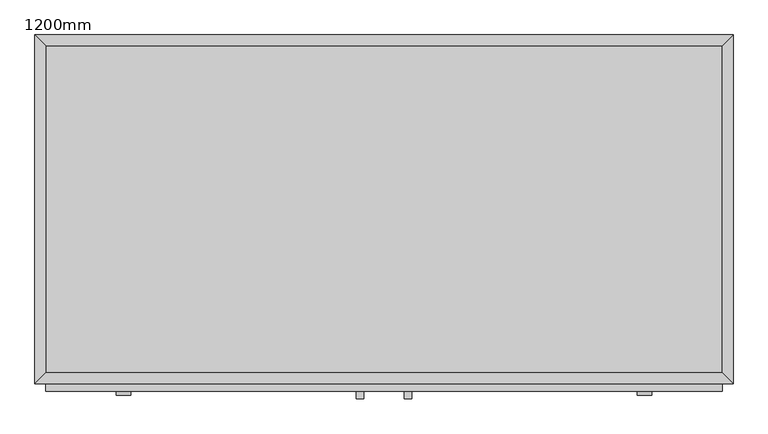
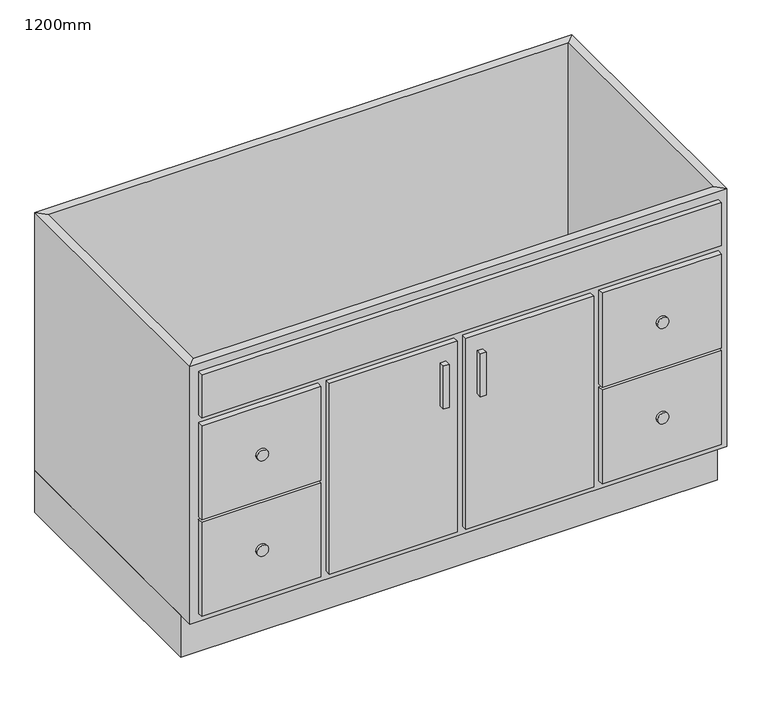
"""IFC4 building model written with IfcOpenShell, lengths in millimetres: furniture geometry, 1200mm."""

from ifc_helpers import new_model, si_unit, point, frame, frame_2d, origin, origin_with_axes, place, context, project, spatial, polyline, circle_curve, trimmed, segment, composite_curve, outline, extrude, faceted_brep, source, transform, mapped, element, save


def furniture_1200mm_8e3bbaa9(model_context):
    return source(origin(), model_context, "Body", "SolidModel", [
        extrude(outline(polyline([(55.91996, -625.4), (43.21996, -625.4), (43.21996, -612.7), (55.91996, -612.7), (55.91996, -625.4)])), frame((0.0, 0.0, 430.6), z_axis=(0.0, 0.0, 1.0), x_axis=(1.0, 0.0, 0.0)), (0.0, 0.0, 1.0), 101.6),
        extrude(outline(polyline([(138.46996, -625.4), (125.76996, -625.4), (125.76996, -612.7), (138.46996, -612.7), (138.46996, -625.4)])), frame((0.0, 0.0, 430.6), z_axis=(0.0, 0.0, 1.0), x_axis=(1.0, 0.0, 0.0)), (0.0, 0.0, 1.0), 101.6),
        extrude(outline(polyline([(671.79496, -612.7), (-490.10504, -612.7), (-490.10504, -600.0), (671.79496, -600.0), (671.79496, -612.7)])), frame((0.0, 0.0, 589.35), z_axis=(0.0, 0.0, 1.0), x_axis=(1.0, 0.0, 0.0)), (0.0, 0.0, 1.0), 101.6),
        extrude(outline(polyline([(671.79496, -612.7), (405.13246, -612.7), (405.13246, -600.0), (671.79496, -600.0), (671.79496, -612.7)])), frame((0.0, 0.0, 347.85), z_axis=(0.0, 0.0, 1.0), x_axis=(1.0, 0.0, 0.0)), (0.0, 0.0, 1.0), 222.45),
        extrude(outline(polyline([(671.79496, -612.7), (405.13246, -612.7), (405.13246, -600.0), (671.79496, -600.0), (671.79496, -612.7)])), frame((0.0, 0.0, 119.05), z_axis=(0.0, 0.0, 1.0), x_axis=(1.0, 0.0, 0.0)), (0.0, 0.0, 1.0), 222.45),
        extrude(outline(polyline([(-223.44254, -612.7), (-490.10504, -612.7), (-490.10504, -600.0), (-223.44254, -600.0), (-223.44254, -612.7)])), frame((0.0, 0.0, 347.85), z_axis=(0.0, 0.0, 1.0), x_axis=(1.0, 0.0, 0.0)), (0.0, 0.0, 1.0), 222.45),
        extrude(outline(polyline([(-223.44254, -612.7), (-490.10504, -612.7), (-490.10504, -600.0), (-223.44254, -600.0), (-223.44254, -612.7)])), frame((0.0, 0.0, 119.05), z_axis=(0.0, 0.0, 1.0), x_axis=(1.0, 0.0, 0.0)), (0.0, 0.0, 1.0), 222.45),
        extrude(outline(polyline([(81.31996, -612.7), (-204.39254, -612.7), (-204.39254, -600.0), (81.31996, -600.0), (81.31996, -612.7)])), frame((0.0, 0.0, 119.05), z_axis=(0.0, 0.0, 1.0), x_axis=(1.0, 0.0, 0.0)), (0.0, 0.0, 1.0), 451.25),
        extrude(outline(polyline([(386.08246, -612.7), (100.36996, -612.7), (100.36996, -600.0), (386.08246, -600.0), (386.08246, -612.7)])), frame((0.0, 0.0, 119.05), z_axis=(0.0, 0.0, 1.0), x_axis=(1.0, 0.0, 0.0)), (0.0, 0.0, 1.0), 451.25),
        extrude(outline(composite_curve([segment(trimmed(circle_curve(frame_2d((457.4875, -356.77379)), 12.7), [point((457.4875, -369.47379))], [point((457.4875, -344.07379))], False, "CARTESIAN"), True, "CONTINUOUS"), segment(trimmed(circle_curve(frame_2d((457.4875, -356.77379)), 12.7), [point((457.4875, -344.07379))], [point((457.4875, -369.47379))], False, "CARTESIAN"), True, "CONTINUOUS")], self_intersect=False)), frame((0.0, -619.05, 0.0), z_axis=(0.0, 1.0, 0.0), x_axis=(0.0, 0.0, 1.0)), (0.0, 0.0, 1.0), 6.35),
        extrude(outline(composite_curve([segment(trimmed(circle_curve(frame_2d((231.8625, -356.77379)), 12.7), [point((231.8625, -369.47379))], [point((231.8625, -344.07379))], False, "CARTESIAN"), True, "CONTINUOUS"), segment(trimmed(circle_curve(frame_2d((231.8625, -356.77379)), 12.7), [point((231.8625, -344.07379))], [point((231.8625, -369.47379))], False, "CARTESIAN"), True, "CONTINUOUS")], self_intersect=False)), frame((0.0, -619.05, 0.0), z_axis=(0.0, 1.0, 0.0), x_axis=(0.0, 0.0, 1.0)), (0.0, 0.0, 1.0), 6.35),
        extrude(outline(composite_curve([segment(trimmed(circle_curve(frame_2d((231.8625, 538.46371)), 12.7), [point((231.8625, 525.76371))], [point((231.8625, 551.16371))], False, "CARTESIAN"), True, "CONTINUOUS"), segment(trimmed(circle_curve(frame_2d((231.8625, 538.46371)), 12.7), [point((231.8625, 551.16371))], [point((231.8625, 525.76371))], False, "CARTESIAN"), True, "CONTINUOUS")], self_intersect=False)), frame((0.0, -619.05, 0.0), z_axis=(0.0, 1.0, 0.0), x_axis=(0.0, 0.0, 1.0)), (0.0, 0.0, 1.0), 6.35),
        extrude(outline(composite_curve([segment(trimmed(circle_curve(frame_2d((457.4875, 538.46371)), 12.7), [point((457.4875, 525.76371))], [point((457.4875, 551.16371))], False, "CARTESIAN"), True, "CONTINUOUS"), segment(trimmed(circle_curve(frame_2d((457.4875, 538.46371)), 12.7), [point((457.4875, 551.16371))], [point((457.4875, 525.76371))], False, "CARTESIAN"), True, "CONTINUOUS")], self_intersect=False)), frame((0.0, -619.05, 0.0), z_axis=(0.0, 1.0, 0.0), x_axis=(0.0, 0.0, 1.0)), (0.0, 0.0, 1.0), 6.35),
        extrude(outline(polyline([(671.79496, -19.05), (671.79496, -580.95), (-490.10504, -580.95), (-490.10504, -19.05), (671.79496, -19.05)])), frame((0.0, 0.0, 100.0), z_axis=(0.0, 0.0, 1.0), x_axis=(1.0, 0.0, 0.0)), (0.0, 0.0, 1.0), 19.05),
        faceted_brep([(671.79496, -580.95, 710.0), (671.79496, -580.95, 100.0), (-490.10504, -580.95, 100.0), (-490.10504, -580.95, 710.0), (690.84496, -600.0, 710.0), (-509.15504, -600.0, 710.0), (690.84496, -600.0, 100.0), (-509.15504, -600.0, 100.0), (-490.10504, -19.05, 100.0), (-490.10504, -19.05, 710.0), (-509.15504, 0.0, 710.0), (-509.15504, 0.0, 100.0), (671.79496, -19.05, 100.0), (671.79496, -19.05, 710.0), (690.84496, 0.0, 710.0), (690.84496, 0.0, 100.0)], [[[0, 1, 2, 3]], [[4, 0, 3, 5]], [[6, 4, 5, 7]], [[1, 6, 7, 2]], [[3, 2, 8, 9]], [[5, 3, 9, 10]], [[7, 5, 10, 11]], [[2, 7, 11, 8]], [[9, 8, 12, 13]], [[10, 9, 13, 14]], [[11, 10, 14, 15]], [[8, 11, 15, 12]], [[13, 12, 1, 0]], [[14, 13, 0, 4]], [[15, 14, 4, 6]], [[12, 15, 6, 1]]]),
        extrude(outline(polyline([(690.84496, 0.0), (690.84496, -565.0), (-509.15504, -565.0), (-509.15504, 0.0), (690.84496, 0.0)])), origin_with_axes(), (0.0, 0.0, 1.0), 100.0),
    ])


if __name__ == "__main__":
    model = new_model("IFC4")
    model_context = context("Model", 3, world=origin())
    ifc_project = project(units=[si_unit("LENGTHUNIT", "METRE", prefix="MILLI")], contexts=[model_context])
    site = spatial("IfcSite", under=ifc_project)
    building = spatial("IfcBuilding", under=site)
    placement = place(None, origin())
    furniture_1200mm_shape = furniture_1200mm_8e3bbaa9(model_context)
    element("IfcFurniture", 1, ObjectType="1200mm", at=placement, inside=building, context=model_context, shape_type="MappedRepresentation", body=[
        mapped(furniture_1200mm_shape, transform((0.0, 0.0, 0.0), x_axis=(1.0, 0.0, 0.0), y_axis=(0.0, 1.0, 0.0), z_axis=(0.0, 0.0, 1.0))),
    ])
    save(model, "model.ifc")
